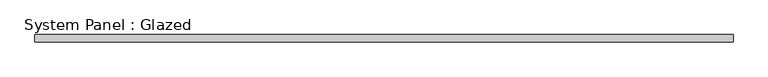
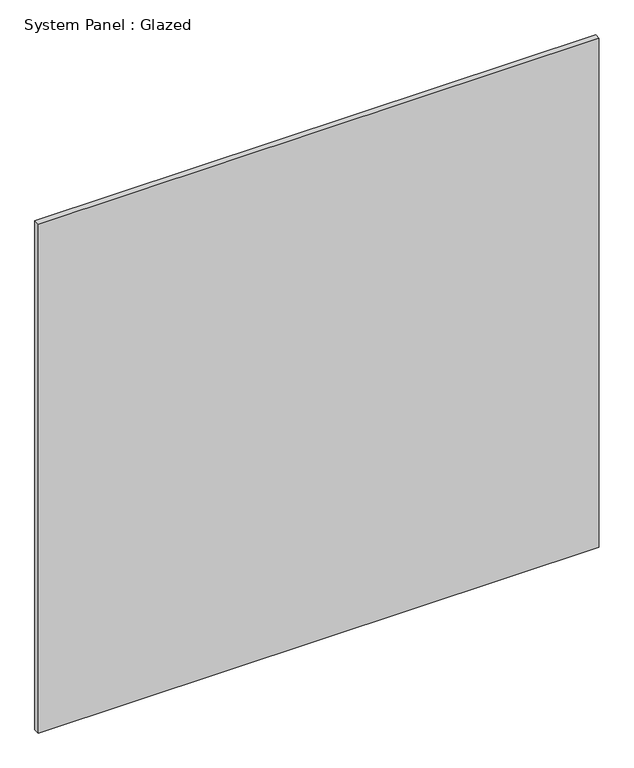
"""IFC4 building model written with IfcOpenShell, lengths in millimetres: plate geometry, System Panel : Glazed."""

from ifc_helpers import new_model, si_unit, origin, origin_with_axes, place, context, project, spatial, polyline, outline, extrude, source, transform, mapped, element, save


def system_panel_glazed_1aa69613(model_context):
    return source(origin(), model_context, "Body", "SweptSolid", [
        extrude(outline(polyline([(1219.2, 19.05), (-1219.2, 19.05), (-1219.2, 44.45), (1219.2, 44.45), (1219.2, 19.05)])), origin_with_axes(), (0.0, 0.0, 1.0), 2338.1426667),
    ])


if __name__ == "__main__":
    model = new_model("IFC4")
    model_context = context("Model", 3, world=origin())
    ifc_project = project(units=[si_unit("LENGTHUNIT", "METRE", prefix="MILLI")], contexts=[model_context])
    site = spatial("IfcSite", under=ifc_project)
    building = spatial("IfcBuilding", under=site)
    placement = place(None, origin())
    system_panel_glazed_shape = system_panel_glazed_1aa69613(model_context)
    element("IfcPlate", 1, ObjectType="System Panel : Glazed", at=placement, inside=building, context=model_context, shape_type="MappedRepresentation", body=[
        mapped(system_panel_glazed_shape, transform((0.0, 0.0, 0.0), x_axis=(1.0, 0.0, 0.0), y_axis=(0.0, 1.0, 0.0), z_axis=(0.0, 0.0, 1.0))),
    ])
    save(model, "model.ifc")
